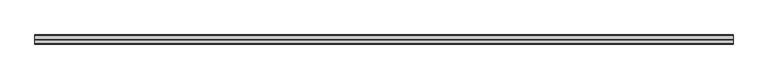
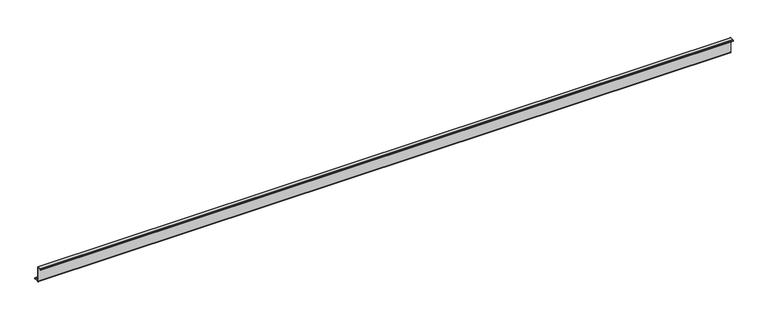
"""IFC4 building model written with IfcOpenShell, lengths in millimetres: member geometry."""

from ifc_helpers import new_model, si_unit, point, frame, frame_2d, origin, place, context, project, spatial, polyline, circle_curve, trimmed, segment, composite_curve, outline, extrude, source, transform, mapped, element, save


def member_4236cf7c(model_context):
    return source(origin(), model_context, "Body", "SweptSolid", [
        extrude(outline(composite_curve([segment(polyline([(0.0, -123.5), (0.0, 123.5)]), True, "CONTINUOUS"), segment(trimmed(circle_curve(frame_2d((-2.0, 123.5)), 2.0), [point((0.0, 123.5))], [point((-2.0, 125.5))], True, "CARTESIAN"), True, "CONTINUOUS"), segment(polyline([(-2.0, 125.5), (-63.5, 125.5)]), True, "CONTINUOUS"), segment(trimmed(circle_curve(frame_2d((-63.5, 123.5)), 2.0), [point((-63.5, 125.5))], [point((-65.5, 123.5))], True, "CARTESIAN"), True, "CONTINUOUS"), segment(polyline([(-65.5, 123.5), (-65.5, 107.0), (-67.0, 107.0), (-67.0, 123.5)]), True, "CONTINUOUS"), segment(trimmed(circle_curve(frame_2d((-63.5, 123.5)), 3.5), [point((-67.0, 123.5))], [point((-63.5, 127.0))], False, "CARTESIAN"), True, "CONTINUOUS"), segment(polyline([(-63.5, 127.0), (-2.0, 127.0)]), True, "CONTINUOUS"), segment(trimmed(circle_curve(frame_2d((-2.0, 123.5)), 3.5), [point((-2.0, 127.0))], [point((1.5, 123.5))], False, "CARTESIAN"), True, "CONTINUOUS"), segment(polyline([(1.5, 123.5), (1.5, -123.5)]), True, "CONTINUOUS"), segment(trimmed(circle_curve(frame_2d((3.5, -123.5)), 2.0), [point((1.5, -123.5))], [point((3.5, -125.5))], True, "CARTESIAN"), True, "CONTINUOUS"), segment(polyline([(3.5, -125.5), (75.0, -125.5)]), True, "CONTINUOUS"), segment(trimmed(circle_curve(frame_2d((75.0, -123.5)), 2.0), [point((75.0, -125.5))], [point((77.0, -123.5))], True, "CARTESIAN"), True, "CONTINUOUS"), segment(polyline([(77.0, -123.5), (77.0, -107.5), (78.5, -107.5), (78.5, -123.5)]), True, "CONTINUOUS"), segment(trimmed(circle_curve(frame_2d((75.0, -123.5)), 3.5), [point((78.5, -123.5))], [point((75.0, -127.0))], False, "CARTESIAN"), True, "CONTINUOUS"), segment(polyline([(75.0, -127.0), (3.5, -127.0)]), True, "CONTINUOUS"), segment(trimmed(circle_curve(frame_2d((3.5, -123.5)), 3.5), [point((3.5, -127.0))], [point((0.0, -123.5))], False, "CARTESIAN"), True, "CONTINUOUS")], self_intersect=False)), frame((-5576.0, 0.0, 0.0), z_axis=(1.0, 0.0, 0.0), x_axis=(0.0, 1.0, 0.0)), (0.0, 0.0, 1.0), 11152.0),
    ])


if __name__ == "__main__":
    model = new_model("IFC4")
    model_context = context("Model", 3, world=origin())
    ifc_project = project(units=[si_unit("LENGTHUNIT", "METRE", prefix="MILLI")], contexts=[model_context])
    site = spatial("IfcSite", under=ifc_project)
    building = spatial("IfcBuilding", under=site)
    placement = place(None, origin())
    member_shape = member_4236cf7c(model_context)
    element("IfcMember", 1, at=placement, inside=building, context=model_context, shape_type="MappedRepresentation", body=[
        mapped(member_shape, transform((0.0, 0.0, 0.0), x_axis=(1.0, 0.0, 0.0), y_axis=(0.0, 1.0, 0.0), z_axis=(0.0, 0.0, 1.0))),
    ])
    save(model, "model.ifc")
